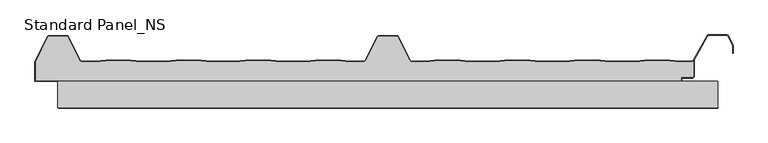
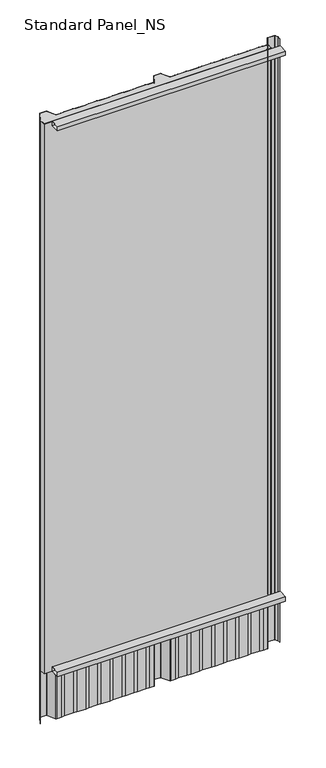
"""IFC4 building model written with IfcOpenShell, lengths in millimetres: proxy geometry, Standard Panel_NS."""

from ifc_helpers import new_model, si_unit, point, frame, frame_2d, origin, origin_with_axes, place, context, project, spatial, polyline, circle_curve, trimmed, segment, composite_curve, outline, extrude, source, transform, mapped, element, save


def standard_panel_ns_3cbb346c(model_context):
    return source(origin(), model_context, "Body", "SweptSolid", [
        extrude(outline(polyline([(40.0, 0.0), (0.0, 0.0), (0.0, 20.0), (40.0, 20.0), (40.0, 0.0)]), holes=[polyline([(0.9, 19.1), (0.9, 0.9), (39.1, 0.9), (39.1, 19.1), (0.9, 19.1)])]), frame((-499.5000907, 0.0, 0.0), z_axis=(1.0, 0.0, 0.0), x_axis=(0.0, 1.0, 0.0)), (0.0, 0.0, 1.0), 999.5000907),
        extrude(outline(polyline([(40.0, 2549.5097568), (40.0, 2529.5097568), (0.0, 2529.5097568), (0.0, 2549.5097568), (40.0, 2549.5097568)]), holes=[polyline([(0.9, 2548.6097568), (0.9, 2530.4097568), (39.1, 2530.4097568), (39.1, 2548.6097568), (0.9, 2548.6097568)])]), frame((-500.0, 0.0, 0.0), z_axis=(1.0, 0.0, 0.0), x_axis=(0.0, 1.0, 0.0)), (0.0, 0.0, 1.0), 1000.0),
        extrude(outline(composite_curve([segment(trimmed(circle_curve(frame_2d((461.2333678, 47.9776976)), 2.1), [point((463.3333678, 47.9776976))], [point((461.2333678, 45.8776976))], False, "CARTESIAN"), True, "CONTINUOUS"), segment(polyline([(461.2333678, 45.8776976), (444.4044996, 45.8776976), (444.4044996, 40.8776976), (-533.8689812, 40.8776976), (-533.8689812, 69.987751), (-515.1468491, 107.2989838)]), True, "CONTINUOUS"), segment(trimmed(circle_curve(frame_2d((-513.1679785, 106.3376976)), 2.2), [point((-515.1468491, 107.2989838))], [point((-513.1679785, 108.5376976))], False, "CARTESIAN"), True, "CONTINUOUS"), segment(polyline([(-513.1679785, 108.5376976), (-486.83184, 108.5376976)]), True, "CONTINUOUS"), segment(trimmed(circle_curve(frame_2d((-486.83184, 106.3376976)), 2.2), [point((-486.83184, 108.5376976))], [point((-484.8632284, 107.3198221))], False, "CARTESIAN"), True, "CONTINUOUS"), segment(polyline([(-484.8632284, 107.3198221), (-466.9621881, 71.7014308)]), True, "CONTINUOUS"), segment(trimmed(circle_curve(frame_2d((-463.5629534, 73.4000196)), 3.8), [point((-466.9621881, 71.7014308))], [point((-463.5629534, 69.6000196))], True, "CARTESIAN"), True, "CONTINUOUS"), segment(polyline([(-463.5629534, 69.6000196), (-442.4071525, 69.6000196), (-427.5266141, 71.4), (-389.5037331, 71.4), (-374.6231947, 69.6000196), (-336.4071525, 69.6000196), (-321.5266141, 71.4), (-283.5037331, 71.4), (-268.6231947, 69.6000196), (-230.4071525, 69.6000196), (-215.5266141, 71.4), (-177.5037331, 71.4), (-162.6231947, 69.6000196), (-124.4071525, 69.6000196), (-109.5266141, 71.4), (-71.5037331, 71.4), (-56.6231947, 69.6000196), (-36.856799, 69.6000196)]), True, "CONTINUOUS"), segment(trimmed(circle_curve(frame_2d((-36.856799, 73.4000196)), 3.8), [point((-36.856799, 69.6000196))], [point((-33.4593215, 71.697919))], True, "CARTESIAN"), True, "CONTINUOUS"), segment(polyline([(-33.4593215, 71.697919), (-15.1166702, 107.3890619)]), True, "CONTINUOUS"), segment(trimmed(circle_curve(frame_2d((-13.1465337, 106.41)), 2.2), [point((-15.1166702, 107.3890619))], [point((-13.1465337, 108.61))], False, "CARTESIAN"), True, "CONTINUOUS"), segment(polyline([(-13.1465337, 108.61), (13.1431912, 108.61)]), True, "CONTINUOUS"), segment(trimmed(circle_curve(frame_2d((13.1431912, 106.41)), 2.2), [point((13.1431912, 108.61))], [point((15.1133281, 107.389061))], False, "CARTESIAN"), True, "CONTINUOUS"), segment(polyline([(15.1133281, 107.389061), (33.4515652, 71.7067576)]), True, "CONTINUOUS"), segment(trimmed(circle_curve(frame_2d((36.8490422, 73.4088594)), 3.8), [point((33.4515652, 71.7067576))], [point((36.8490422, 69.6088594))], True, "CARTESIAN"), True, "CONTINUOUS"), segment(polyline([(36.8490422, 69.6088594), (56.6929307, 69.6088594), (71.5003906, 71.4), (109.5232716, 71.4), (124.3424702, 69.6074394), (162.6811919, 69.6074394), (177.5003906, 71.4), (215.5232716, 71.4), (230.356647, 69.6057246), (268.6670151, 69.6057246), (283.5003906, 71.4), (321.5232716, 71.4), (336.3708239, 69.6040097), (374.6528383, 69.6040097), (389.5003906, 71.4), (427.5232716, 71.4), (442.3850007, 69.6022949), (460.2255768, 69.6022949)]), True, "CONTINUOUS"), segment(trimmed(circle_curve(frame_2d((460.1791882, 73.4020117)), 3.8), [point((460.2255768, 69.6022949))], [point((463.3333678, 71.2827781))], True, "CARTESIAN"), True, "CONTINUOUS"), segment(polyline([(463.3333678, 71.2827781), (463.3333678, 47.9776976)]), True, "CONTINUOUS")], self_intersect=False)), origin_with_axes(), (0.0, 0.0, 1.0), 2549.5097568),
        extrude(outline(composite_curve([segment(polyline([(-321.5748232, 72.2), (-283.455524, 72.2), (-268.5749856, 70.4000196), (-230.4553616, 70.4000196), (-215.5748232, 72.2), (-177.455524, 72.2), (-162.5749856, 70.4000196), (-124.4553616, 70.4000196), (-109.5748232, 72.2), (-71.455524, 72.2), (-56.5749856, 70.4000196), (-36.856799, 70.4000196)]), True, "CONTINUOUS"), segment(trimmed(circle_curve(frame_2d((-36.856799, 73.4000196)), 3.0), [point((-36.856799, 70.4000196))], [point((-34.1728476, 72.0597193))], True, "CARTESIAN"), True, "CONTINUOUS"), segment(polyline([(-34.1728476, 72.0597193), (-15.8304851, 107.7503003)]), True, "CONTINUOUS"), segment(trimmed(circle_curve(frame_2d((-13.1465337, 106.41)), 3.0), [point((-15.8304851, 107.7503003))], [point((-13.1465337, 109.41))], False, "CARTESIAN"), True, "CONTINUOUS"), segment(polyline([(-13.1465337, 109.41), (13.1431912, 109.41)]), True, "CONTINUOUS"), segment(trimmed(circle_curve(frame_2d((13.1431912, 106.41)), 3.0), [point((13.1431912, 109.41))], [point((15.8271426, 107.7503003))], False, "CARTESIAN"), True, "CONTINUOUS"), segment(polyline([(15.8271426, 107.7503003), (34.1650908, 72.0685591)]), True, "CONTINUOUS"), segment(trimmed(circle_curve(frame_2d((36.8490422, 73.4088594)), 3.0), [point((34.1650908, 72.0685591))], [point((36.8490422, 70.4088594))], True, "CARTESIAN"), True, "CONTINUOUS"), segment(polyline([(36.8490422, 70.4088594), (56.6447216, 70.4088594), (71.4521815, 72.2), (109.5714807, 72.2), (124.3906793, 70.4074394), (162.6329828, 70.4074394), (177.4521815, 72.2), (215.5714807, 72.2), (230.4048562, 70.4057246), (268.618806, 70.4057246), (283.4521815, 72.2), (321.5714807, 72.2), (336.419033, 70.4040097), (374.6046292, 70.4040097), (389.4521815, 72.2), (427.5714807, 72.2), (442.4332098, 70.4022949), (460.137971, 70.4022949)]), True, "CONTINUOUS"), segment(trimmed(circle_curve(frame_2d((460.1791882, 73.4020117)), 3.0), [point((460.137971, 70.4022949))], [point((462.8067156, 71.9542204))], True, "CARTESIAN"), True, "CONTINUOUS"), segment(polyline([(462.8067156, 71.9542204), (483.709141, 108.8490344)]), True, "CONTINUOUS"), segment(trimmed(circle_curve(frame_2d((486.3366684, 107.401243)), 3.0), [point((483.709141, 108.8490344))], [point((486.3366684, 110.401243))], False, "CARTESIAN"), True, "CONTINUOUS"), segment(polyline([(486.3366684, 110.401243), (513.6856739, 110.401243)]), True, "CONTINUOUS"), segment(trimmed(circle_curve(frame_2d((513.6856739, 107.401243)), 3.0), [point((513.6856739, 110.401243))], [point((516.3696253, 108.7415434))], False, "CARTESIAN"), True, "CONTINUOUS"), segment(polyline([(516.3696253, 108.7415434), (522.8988101, 95.6668507)]), True, "CONTINUOUS"), segment(trimmed(circle_curve(frame_2d((520.2148587, 94.3265504)), 3.0), [point((522.8988101, 95.6668507))], [point((523.2148587, 94.3265504))], False, "CARTESIAN"), True, "CONTINUOUS"), segment(polyline([(523.2148587, 94.3265504), (523.2148587, 82.8571101), (522.4148587, 82.8571101), (522.4148587, 94.3265504)]), True, "CONTINUOUS"), segment(trimmed(circle_curve(frame_2d((520.2148587, 94.3265504)), 2.2), [point((522.4148587, 94.3265504))], [point((522.1830897, 95.3094373))], True, "CARTESIAN"), True, "CONTINUOUS"), segment(polyline([(522.1830897, 95.3094373), (515.6539049, 108.3841299)]), True, "CONTINUOUS"), segment(trimmed(circle_curve(frame_2d((513.6856739, 107.401243)), 2.2), [point((515.6539049, 108.3841299))], [point((513.6856739, 109.601243))], True, "CARTESIAN"), True, "CONTINUOUS"), segment(polyline([(513.6856739, 109.601243), (486.3366684, 109.601243)]), True, "CONTINUOUS"), segment(trimmed(circle_curve(frame_2d((486.3366684, 107.401243)), 2.2), [point((486.3366684, 109.601243))], [point((484.4077107, 108.4591287))], True, "CARTESIAN"), True, "CONTINUOUS"), segment(polyline([(484.4077107, 108.4591287), (463.5049669, 71.5637527)]), True, "CONTINUOUS"), segment(trimmed(circle_curve(frame_2d((460.1791882, 73.4020117)), 3.8), [point((463.5049669, 71.5637527))], [point((460.1327996, 69.6022949))], False, "CARTESIAN"), True, "CONTINUOUS"), segment(polyline([(460.1327996, 69.6022949), (442.3850007, 69.6022949), (427.5232716, 71.4), (389.5003906, 71.4), (374.6528383, 69.6040097), (336.3708239, 69.6040097), (321.5232716, 71.4), (283.5003906, 71.4), (268.6670151, 69.6057246), (230.356647, 69.6057246), (215.5232716, 71.4), (177.5003906, 71.4), (162.6811919, 69.6074394), (124.3424702, 69.6074394), (109.5232716, 71.4), (71.5003906, 71.4), (56.6929307, 69.6088594), (36.8490422, 69.6088594)]), True, "CONTINUOUS"), segment(trimmed(circle_curve(frame_2d((36.8490422, 73.4088594)), 3.8), [point((36.8490422, 69.6088594))], [point((33.4515652, 71.7067576))], False, "CARTESIAN"), True, "CONTINUOUS"), segment(polyline([(33.4515652, 71.7067576), (15.1133281, 107.389061)]), True, "CONTINUOUS"), segment(trimmed(circle_curve(frame_2d((13.1431912, 106.41)), 2.2), [point((15.1133281, 107.389061))], [point((13.1431912, 108.61))], True, "CARTESIAN"), True, "CONTINUOUS"), segment(polyline([(13.1431912, 108.61), (-13.1465337, 108.61)]), True, "CONTINUOUS"), segment(trimmed(circle_curve(frame_2d((-13.1465337, 106.41)), 2.2), [point((-13.1465337, 108.61))], [point((-15.1166702, 107.3890619))], True, "CARTESIAN"), True, "CONTINUOUS"), segment(polyline([(-15.1166702, 107.3890619), (-33.4593215, 71.697919)]), True, "CONTINUOUS"), segment(trimmed(circle_curve(frame_2d((-36.856799, 73.4000196)), 3.8), [point((-33.4593215, 71.697919))], [point((-36.856799, 69.6000196))], False, "CARTESIAN"), True, "CONTINUOUS"), segment(polyline([(-36.856799, 69.6000196), (-56.6231947, 69.6000196), (-71.5037331, 71.4), (-109.5266141, 71.4), (-124.4071525, 69.6000196), (-162.6231947, 69.6000196), (-177.5037331, 71.4), (-215.5266141, 71.4), (-230.4071525, 69.6000196), (-268.6231947, 69.6000196), (-283.5037331, 71.4), (-321.5266141, 71.4), (-336.4071525, 69.6000196), (-374.6231947, 69.6000196), (-389.5037331, 71.4), (-427.5266141, 71.4), (-442.4071525, 69.6000196), (-463.5629534, 69.6000196)]), True, "CONTINUOUS"), segment(trimmed(circle_curve(frame_2d((-463.5629534, 73.4000196)), 3.8), [point((-463.5629534, 69.6000196))], [point((-466.9621881, 71.7014308))], False, "CARTESIAN"), True, "CONTINUOUS"), segment(polyline([(-466.9621881, 71.7014308), (-484.8632284, 107.3421244)]), True, "CONTINUOUS"), segment(trimmed(circle_curve(frame_2d((-486.83184, 106.36)), 2.2), [point((-484.8632284, 107.3421244))], [point((-486.83184, 108.56))], True, "CARTESIAN"), True, "CONTINUOUS"), segment(polyline([(-486.83184, 108.56), (-513.1679785, 108.56)]), True, "CONTINUOUS"), segment(trimmed(circle_curve(frame_2d((-513.1679785, 106.36)), 2.2), [point((-513.1679785, 108.56))], [point((-515.1468491, 107.3212862))], True, "CARTESIAN"), True, "CONTINUOUS"), segment(polyline([(-515.1468491, 107.3212862), (-533.8740229, 69.9776976), (-534.7689812, 69.9776976), (-515.8640556, 107.6757386)]), True, "CONTINUOUS"), segment(trimmed(circle_curve(frame_2d((-513.1679785, 106.36)), 3.0), [point((-515.8640556, 107.6757386))], [point((-513.1679785, 109.36))], False, "CARTESIAN"), True, "CONTINUOUS"), segment(polyline([(-513.1679785, 109.36), (-486.83184, 109.36)]), True, "CONTINUOUS"), segment(trimmed(circle_curve(frame_2d((-486.83184, 106.36)), 3.0), [point((-486.83184, 109.36))], [point((-484.1478886, 107.7003003))], False, "CARTESIAN"), True, "CONTINUOUS"), segment(polyline([(-484.1478886, 107.7003003), (-466.2469048, 72.0597193)]), True, "CONTINUOUS"), segment(trimmed(circle_curve(frame_2d((-463.5629534, 73.4000196)), 3.0), [point((-466.2469048, 72.0597193))], [point((-463.5629534, 70.4000196))], True, "CARTESIAN"), True, "CONTINUOUS"), segment(polyline([(-463.5629534, 70.4000196), (-442.4553616, 70.4000196), (-427.5748232, 72.2), (-389.455524, 72.2), (-374.5749856, 70.4000196), (-336.4553616, 70.4000196), (-321.5748232, 72.2)]), True, "CONTINUOUS")], self_intersect=False)), frame((0.0, 0.0, -250.0), z_axis=(0.0, 0.0, 1.0), x_axis=(1.0, 0.0, 0.0)), (0.0, 0.0, 1.0), 2799.5097568),
        extrude(outline(composite_curve([segment(polyline([(-534.7689812, 69.9776976), (-533.8689812, 69.9776976), (-533.8689812, 40.9), (444.4044996, 40.9), (444.4044996, 45.9), (461.2333678, 45.9)]), True, "CONTINUOUS"), segment(trimmed(circle_curve(frame_2d((461.2333678, 48.0)), 2.1), [point((461.2333678, 45.9))], [point((463.3333678, 48.0))], True, "CARTESIAN"), True, "CONTINUOUS"), segment(polyline([(463.3333678, 48.0), (463.3333678, 71.2827781), (464.2333678, 72.8494512), (464.2333678, 48.0)]), True, "CONTINUOUS"), segment(trimmed(circle_curve(frame_2d((461.2333678, 48.0)), 3.0), [point((464.2333678, 48.0))], [point((461.2333678, 45.0))], False, "CARTESIAN"), True, "CONTINUOUS"), segment(polyline([(461.2333678, 45.0), (445.3044996, 45.0), (445.3044996, 40.0), (-534.7689812, 40.0), (-534.7689812, 69.9776976)]), True, "CONTINUOUS")], self_intersect=False)), origin_with_axes(), (0.0, 0.0, 1.0), 2549.5097568),
    ])


if __name__ == "__main__":
    model = new_model("IFC4")
    model_context = context("Model", 3, world=origin())
    ifc_project = project(units=[si_unit("LENGTHUNIT", "METRE", prefix="MILLI")], contexts=[model_context])
    site = spatial("IfcSite", under=ifc_project)
    building = spatial("IfcBuilding", under=site)
    placement = place(None, origin())
    standard_panel_ns_shape = standard_panel_ns_3cbb346c(model_context)
    element("IfcBuildingElementProxy", 1, Name="Standard Panel_NS", ObjectType="Standard Panel_NS", at=placement, inside=building, context=model_context, shape_type="MappedRepresentation", body=[
        mapped(standard_panel_ns_shape, transform((0.0, 0.0, 0.0), x_axis=(1.0, 0.0, 0.0), y_axis=(0.0, 1.0, 0.0), z_axis=(0.0, 0.0, 1.0))),
    ])
    save(model, "model.ifc")
